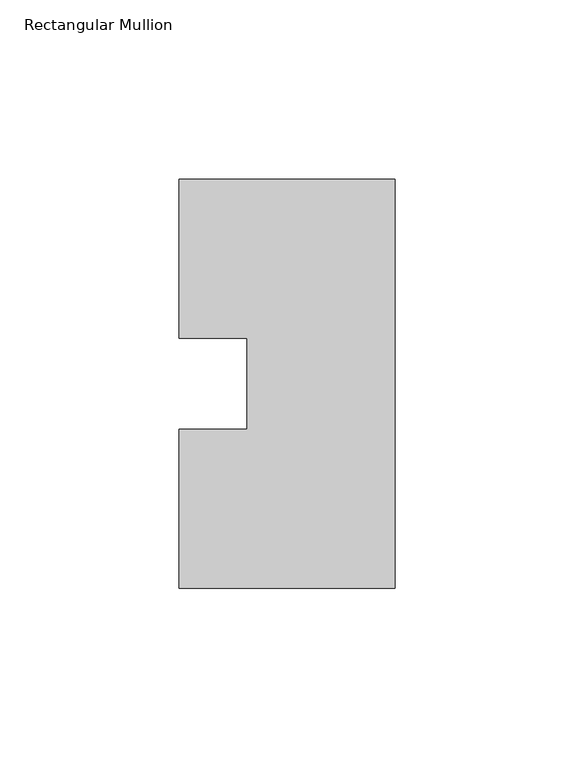
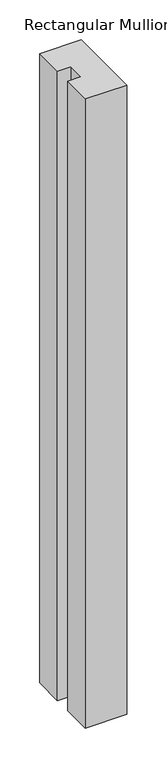
"""IFC4 building model written with IfcOpenShell, lengths in millimetres: member geometry, Rectangular Mullion."""

from ifc_helpers import new_model, si_unit, frame, origin, place, context, project, spatial, polyline, outline, extrude, source, transform, mapped, element, save


def rectangular_mullion_e4aa34e0(model_context):
    return source(origin(), model_context, "Body", "SweptSolid", [
        extrude(outline(polyline([(-60.325, 57.15), (0.0, 57.15), (0.0, -57.15), (-60.325, -57.15), (-60.325, -12.7), (-41.275, -12.7), (-41.275, 12.7), (-60.325, 12.7), (-60.325, 57.15)])), frame((0.0, 0.0, -965.2), z_axis=(0.0, 0.0, 1.0), x_axis=(1.0, 0.0, 0.0)), (0.0, 0.0, 1.0), 965.2),
    ])


if __name__ == "__main__":
    model = new_model("IFC4")
    model_context = context("Model", 3, world=origin())
    ifc_project = project(units=[si_unit("LENGTHUNIT", "METRE", prefix="MILLI")], contexts=[model_context])
    site = spatial("IfcSite", under=ifc_project)
    building = spatial("IfcBuilding", under=site)
    placement = place(None, origin())
    rectangular_mullion_shape = rectangular_mullion_e4aa34e0(model_context)
    element("IfcMember", 1, ObjectType="Rectangular Mullion", at=placement, inside=building, context=model_context, shape_type="MappedRepresentation", body=[
        mapped(rectangular_mullion_shape, transform((0.0, 0.0, 0.0), x_axis=(1.0, 0.0, 0.0), y_axis=(0.0, 1.0, 0.0), z_axis=(0.0, 0.0, 1.0))),
    ])
    save(model, "model.ifc")
